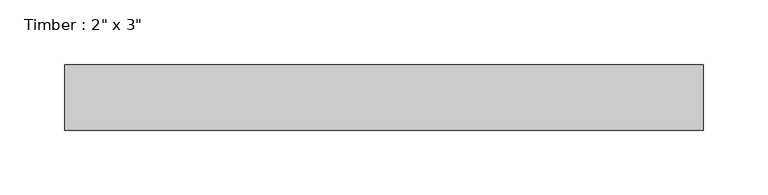
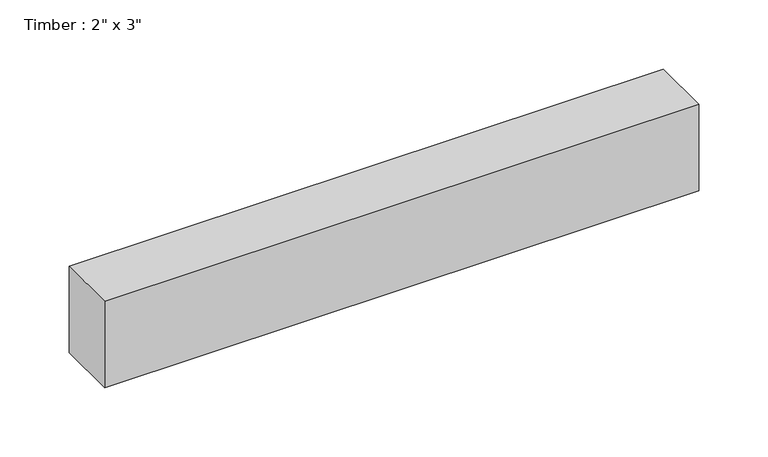
"""IFC4 building model written with IfcOpenShell, lengths in millimetres: beam geometry."""

from ifc_helpers import new_model, si_unit, frame, origin, place, context, project, spatial, polyline, outline, extrude, source, transform, mapped, element, save


def beam_ed69b399(model_context):
    return source(origin(), model_context, "Body", "SweptSolid", [
        extrude(outline(polyline([(247.4931235, 25.4), (247.4931235, -25.4), (-247.4931235, -25.4), (-247.4931235, 25.4), (247.4931235, 25.4)])), frame((0.0, 0.0, -38.1), z_axis=(0.0, 0.0, 1.0), x_axis=(1.0, 0.0, 0.0)), (0.0, 0.0, 1.0), 76.2),
    ])


if __name__ == "__main__":
    model = new_model("IFC4")
    model_context = context("Model", 3, world=origin())
    ifc_project = project(units=[si_unit("LENGTHUNIT", "METRE", prefix="MILLI")], contexts=[model_context])
    site = spatial("IfcSite", under=ifc_project)
    building = spatial("IfcBuilding", under=site)
    placement = place(None, origin())
    beam_shape = beam_ed69b399(model_context)
    element("IfcBeam", 1, ObjectType="Timber : 2\" x 3\"", at=placement, inside=building, context=model_context, shape_type="MappedRepresentation", body=[
        mapped(beam_shape, transform((0.0, 0.0, 0.0), x_axis=(1.0, 0.0, 0.0), y_axis=(0.0, 1.0, 0.0), z_axis=(0.0, 0.0, 1.0))),
    ])
    save(model, "model.ifc")
